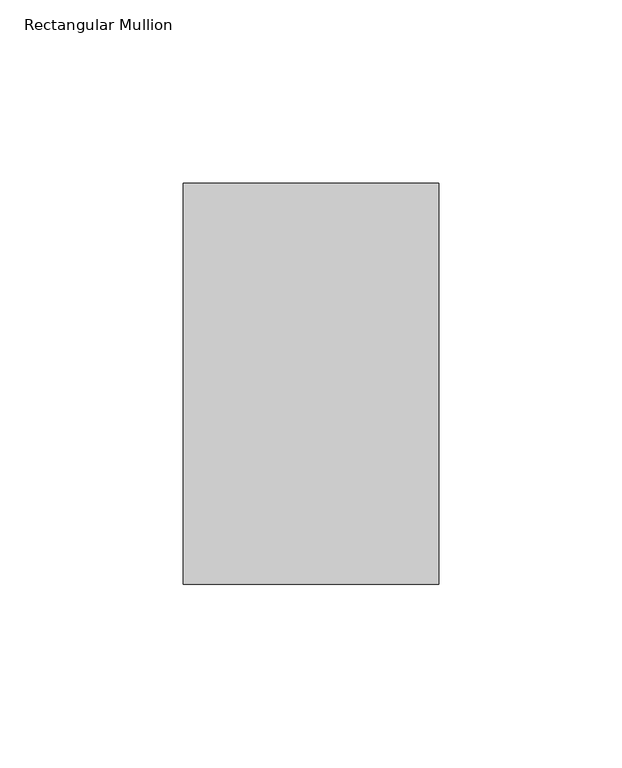
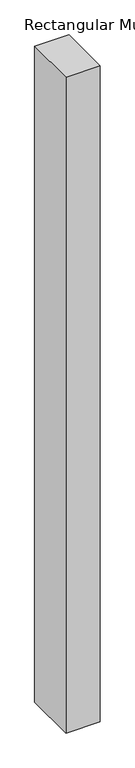
"""IFC4 building model written with IfcOpenShell, lengths in millimetres: member geometry, Rectangular Mullion."""

from ifc_helpers import new_model, si_unit, frame, origin, place, context, project, spatial, polyline, outline, extrude, source, transform, mapped, element, save


def rectangular_mullion_93ee9a9f(model_context):
    return source(origin(), model_context, "Body", "SweptSolid", [
        extrude(outline(polyline([(-69.85, -76.99375), (-69.85, 32.54375), (0.0, 32.54375), (0.0, -76.99375), (-69.85, -76.99375)])), frame((0.0, 0.0, -1408.90625), z_axis=(0.0, 0.0, 1.0), x_axis=(1.0, 0.0, 0.0)), (0.0, 0.0, 1.0), 1408.90625),
    ])


if __name__ == "__main__":
    model = new_model("IFC4")
    model_context = context("Model", 3, world=origin())
    ifc_project = project(units=[si_unit("LENGTHUNIT", "METRE", prefix="MILLI")], contexts=[model_context])
    site = spatial("IfcSite", under=ifc_project)
    building = spatial("IfcBuilding", under=site)
    placement = place(None, origin())
    rectangular_mullion_shape = rectangular_mullion_93ee9a9f(model_context)
    element("IfcMember", 1, ObjectType="Rectangular Mullion", at=placement, inside=building, context=model_context, shape_type="MappedRepresentation", body=[
        mapped(rectangular_mullion_shape, transform((0.0, 0.0, 0.0), x_axis=(1.0, 0.0, 0.0), y_axis=(0.0, 1.0, 0.0), z_axis=(0.0, 0.0, 1.0))),
    ])
    save(model, "model.ifc")
